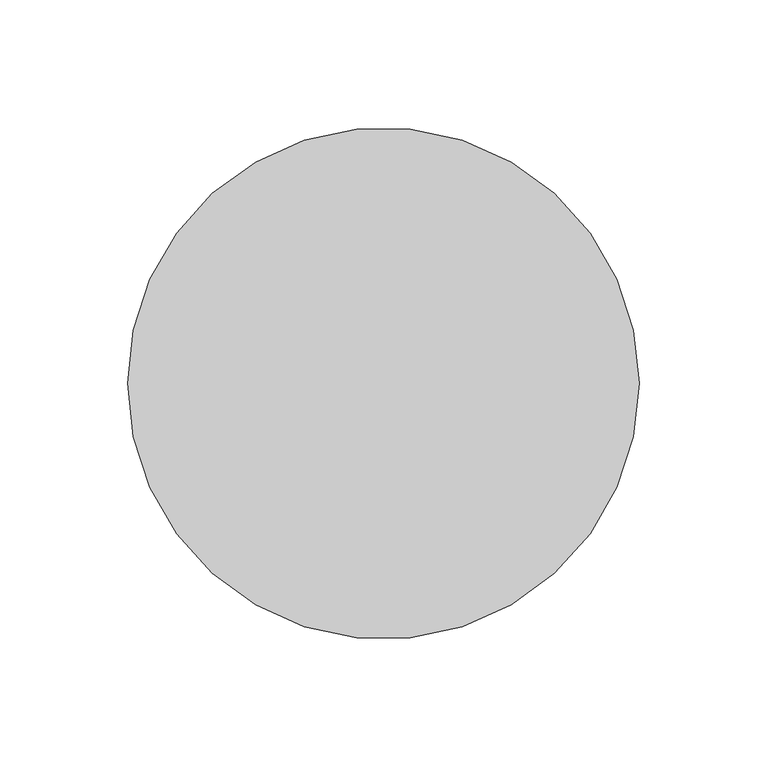
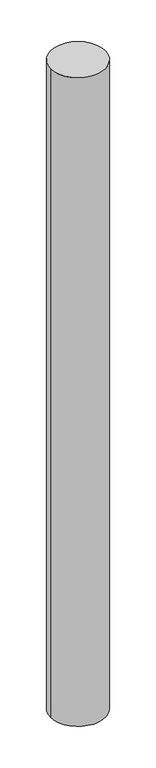
"""IFC4 building model written with IfcOpenShell, lengths in millimetres: column geometry."""

from ifc_helpers import new_model, si_unit, point, origin, origin_with_axes, origin_2d, place, context, project, spatial, circle_curve, trimmed, segment, composite_curve, outline, extrude, source, transform, mapped, element, save


def column_4fd2da0b(model_context):
    return source(origin(), model_context, "Body", "SweptSolid", [
        extrude(outline(composite_curve([segment(trimmed(circle_curve(origin_2d(), 100.0), [point((-100.0, 0.0))], [point((100.0, 0.0))], False, "CARTESIAN"), True, "CONTINUOUS"), segment(trimmed(circle_curve(origin_2d(), 100.0), [point((100.0, 0.0))], [point((-100.0, 0.0))], False, "CARTESIAN"), True, "CONTINUOUS")], self_intersect=False)), origin_with_axes(), (0.0, 0.0, 1.0), 2500.0),
    ])


if __name__ == "__main__":
    model = new_model("IFC4")
    model_context = context("Model", 3, world=origin())
    ifc_project = project(units=[si_unit("LENGTHUNIT", "METRE", prefix="MILLI")], contexts=[model_context])
    site = spatial("IfcSite", under=ifc_project)
    building = spatial("IfcBuilding", under=site)
    placement = place(None, origin())
    column_shape = column_4fd2da0b(model_context)
    element("IfcColumn", 1, at=placement, inside=building, context=model_context, shape_type="MappedRepresentation", body=[
        mapped(column_shape, transform((0.0, 0.0, 0.0), x_axis=(1.0, 0.0, 0.0), y_axis=(0.0, 1.0, 0.0), z_axis=(0.0, 0.0, 1.0))),
    ])
    save(model, "model.ifc")
